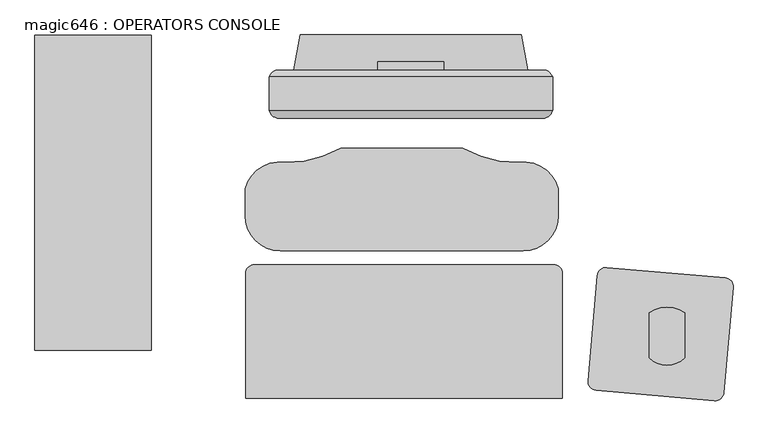
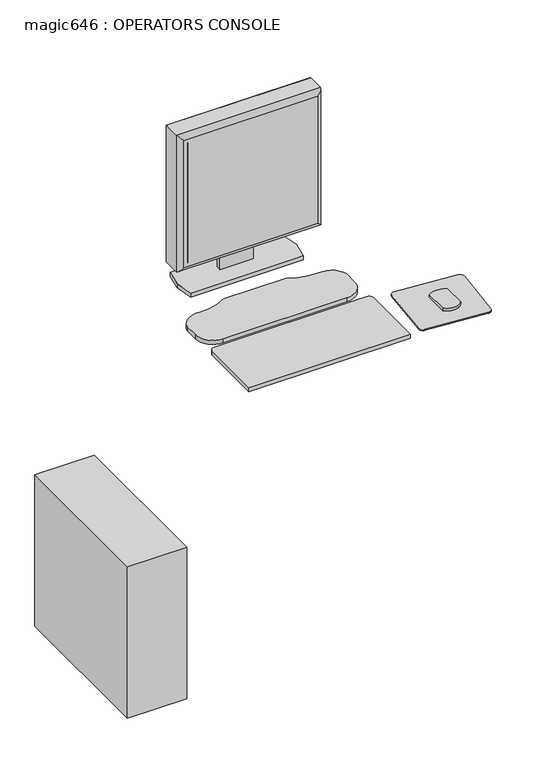
"""IFC4 building model written with IfcOpenShell, lengths in millimetres: proxy geometry, magic646 : OPERATORS CONSOLE."""

from ifc_helpers import new_model, si_unit, point, frame, frame_2d, origin, origin_with_axes, place, context, project, spatial, polyline, circle_curve, ellipse_curve, trimmed, segment, composite_curve, outline, extrude, source, transform, mapped, element, save
from ifc_brep_helpers import plane_surface, cylinder_surface, advanced_brep


def magic646_operators_console_e67e9cc8(model_context):
    return source(origin(), model_context, "Body", "SolidModel", [
        advanced_brep(
        [(-204.47, -136.491636, 1419.86), (-204.47, -179.6223166, 1419.86), (-204.47, -184.6193594, 1419.86), (204.47, -184.6193594, 1419.86), (204.47, -179.6223166, 1419.86), (204.47, -136.491636, 1419.86), (204.47, -136.491636, 1010.2963264), (204.47, -179.6223166, 1010.2963264), (204.47, -184.6193594, 1010.2963264), (-204.47, -184.6193594, 1010.2963264), (-204.47, -179.6223166, 1010.2963264), (-204.47, -136.491636, 1010.2963264), (-195.232364, -127.254, 1019.5339624), (-195.232364, -127.254, 1410.622364), (195.232364, -127.254, 1410.622364), (195.232364, -127.254, 1019.5339624), (-190.3058394, -196.5036769, 1405.694569), (-190.3058394, -196.5036769, 1024.4617574), (190.304569, -196.5036769, 1024.460487), (190.3058394, -196.5036769, 1405.694569)],
        [
            (0, 1),
            (1, 2),
            (2, 3),
            (3, 4),
            (4, 5),
            (5, 0),
            (6, 7),
            (7, 8),
            (8, 9),
            (9, 10),
            (10, 11),
            (11, 6),
            (12, 13),
            (13, 14),
            (14, 15),
            (15, 12),
            (0, 11),
            (9, 2),
            (16, 17),
            (17, 18),
            (18, 19),
            (19, 16),
            (3, 8),
            (6, 5),
            (12, 11, ellipse_curve(frame((-188.3553117, -143.3686883, 1026.4110147), z_axis=(-0.7071067811865452, 0.0, 0.7071067811865498), x_axis=(-0.7071067811865498, 0.0, -0.7071067811865452)), 24.7780962, 17.5207599)),
            (0, 13, ellipse_curve(frame((-188.3553117, -143.3686883, 1403.7453117), z_axis=(-0.7071067811865498, 0.0, -0.7071067811865452), x_axis=(0.7071067811865452, 0.0, -0.7071067811865498)), 24.7780962, 17.5207599)),
            (16, 2, ellipse_curve(frame((-190.3058394, -182.120838, 1405.6958394), z_axis=(-0.7071067811865498, 0.0, -0.7071067811865452), x_axis=(0.7071067811865452, 0.0, -0.7071067811865498)), 20.3404059, 14.3828389)),
            (9, 17, ellipse_curve(frame((-190.3058394, -182.120838, 1024.460487), z_axis=(-0.7071067811865452, 0.0, 0.7071067811865498), x_axis=(-0.7071067811865498, 0.0, -0.7071067811865452)), 20.3404059, 14.3828389)),
            (15, 6, ellipse_curve(frame((188.3553117, -143.3686883, 1026.4110147), z_axis=(-0.7071067811865498, 0.0, -0.7071067811865452), x_axis=(0.7071067811865452, 0.0, -0.7071067811865497)), 24.7780962, 17.5207599)),
            (8, 18, ellipse_curve(frame((190.3058394, -182.120838, 1024.460487), z_axis=(-0.7071067811865498, 0.0, -0.7071067811865452), x_axis=(0.7071067811865452, 0.0, -0.7071067811865497)), 20.3404059, 14.3828389)),
            (14, 5, ellipse_curve(frame((188.3553117, -143.3686883, 1403.7453117), z_axis=(0.7071067811865452, 0.0, -0.7071067811865498), x_axis=(0.7071067811865498, 0.0, 0.7071067811865452)), 24.7780962, 17.5207599)),
            (3, 19, ellipse_curve(frame((190.3058394, -182.120838, 1405.6958394), z_axis=(0.7071067811865452, 0.0, -0.7071067811865498), x_axis=(0.7071067811865498, 0.0, 0.7071067811865452)), 20.3404059, 14.3828389)),
        ],
        [
            plane_surface(frame((-199.39, -127.254, 1419.86), z_axis=(0.0, 0.0, 1.0), x_axis=(-1.0, 0.0, 0.0))),
            plane_surface(frame((-199.39, -127.254, 1010.2963264), z_axis=(0.0, 0.0, -1.0), x_axis=(1.0, 0.0, 0.0))),
            plane_surface(frame((204.47, -127.254, 1419.86), z_axis=(0.0, 1.0, 0.0), x_axis=(0.0, 0.0, -1.0))),
            plane_surface(frame((-204.47, -127.254, 1419.86), z_axis=(-1.0, 0.0, 0.0), x_axis=(0.0, 0.0, -1.0))),
            plane_surface(frame((-204.47, -196.5036769, 1419.86), z_axis=(0.0, -1.0, 0.0), x_axis=(0.0, 0.0, -1.0))),
            plane_surface(frame((204.47, -196.5036769, 1419.86), z_axis=(1.0, 0.0, 0.0), x_axis=(0.0, 0.0, -1.0))),
            cylinder_surface(frame((-188.3553117, -143.3686883, 1419.86), z_axis=(0.0, 0.0, -1.0), x_axis=(0.0, 1.0, 0.0)), 17.5207599),
            cylinder_surface(frame((-190.3058394, -182.120838, 1419.86), z_axis=(0.0, 0.0, -1.0), x_axis=(0.0, 1.0, 0.0)), 14.3828389),
            cylinder_surface(frame((-204.47, -143.3686883, 1026.4110147), z_axis=(1.0, 0.0, 0.0), x_axis=(0.0, 1.0, 0.0)), 17.5207599),
            cylinder_surface(frame((-204.47, -182.120838, 1024.460487), z_axis=(1.0, 0.0, 0.0), x_axis=(0.0, 1.0, 0.0)), 14.3828389),
            cylinder_surface(frame((188.3553117, -143.3686883, 1010.2963264), z_axis=(0.0, 0.0, 1.0), x_axis=(0.0, 1.0, 0.0)), 17.5207599),
            cylinder_surface(frame((190.3058394, -182.120838, 1010.2963264), z_axis=(0.0, 0.0, 1.0), x_axis=(0.0, 1.0, 0.0)), 14.3828389),
            cylinder_surface(frame((204.47, -143.3686883, 1403.7453117), z_axis=(-1.0, 0.0, 0.0), x_axis=(0.0, 1.0, 0.0)), 17.5207599),
            cylinder_surface(frame((204.47, -182.120838, 1405.6958394), z_axis=(-1.0, 0.0, 0.0), x_axis=(0.0, 1.0, 0.0)), 14.3828389),
        ],
        [
            (0, [[1, 2, 3, 4, 5, 6]]),
            (1, [[7, 8, 9, 10, 11, 12]]),
            (2, [[13, 14, 15, 16]]),
            (3, [[-1, 17, -11, -10, 18, -2]]),
            (4, [[19, 20, 21, 22]]),
            (5, [[-5, -4, 23, -8, -7, 24]]),
            (6, [[25, -17, 26, -13]]),
            (7, [[27, -18, 28, -19]]),
            (8, [[-25, -16, 29, -12]]),
            (9, [[30, -20, -28, -9]]),
            (10, [[-29, -15, 31, -24]]),
            (11, [[32, -21, -30, -23]]),
            (12, [[-26, -6, -31, -14]]),
            (13, [[-27, -22, -32, -3]]),
        ],
    ),
        extrude(outline(polyline([(-179.07, -190.5898978), (179.07, -190.5898978), (179.07, -196.5036769), (-179.07, -196.5036769), (-179.07, -190.5898978)])), frame((0.0, 0.0, 1035.6963264), z_axis=(0.0, 0.0, 1.0), x_axis=(1.0, 0.0, 0.0)), (0.0, 0.0, 1.0), 358.7636736),
        extrude(outline(polyline([(-127.254, 1236.2794056), (-114.5728288, 1236.2794056), (-114.5728288, 926.6153731), (-127.254, 926.6153731), (-127.254, 1006.8339624), (-124.5167676, 1006.8339624), (-124.5167676, 1019.5339624), (-127.254, 1019.5339624), (-127.254, 1236.2794056)])), frame((-47.625, 0.0, 0.0), z_axis=(1.0, 0.0, 0.0), x_axis=(0.0, 1.0, 0.0)), (0.0, 0.0, 1.0), 95.25),
        extrude(outline(polyline([(-542.6029933, -530.86), (-542.6029933, -76.2), (-374.9629933, -76.2), (-374.9629933, -530.86), (-542.6029933, -530.86)])), origin_with_axes(), (0.0, 0.0, 1.0), 454.66),
        extrude(outline(composite_curve([segment(trimmed(circle_curve(frame_2d((-188.3957152, -336.9073388)), 50.8), [point((-188.3957152, -387.7073388))], [point((-239.1957152, -336.9073388))], False, "CARTESIAN"), True, "CONTINUOUS"), segment(polyline([(-239.1957152, -336.9073388), (-239.1957152, -298.0826862)]), True, "CONTINUOUS"), segment(trimmed(circle_curve(frame_2d((-189.1990049, -311.5124251)), 51.7689959), [point((-239.1957152, -298.0826862))], [point((-182.1640967, -260.2236446))], False, "CARTESIAN"), True, "CONTINUOUS"), segment(trimmed(circle_curve(frame_2d((-178.1921881, -105.2358731)), 155.0386577), [point((-182.1640967, -260.2236446))], [point((-101.2816124, -239.8529178))], True, "CARTESIAN"), True, "CONTINUOUS"), segment(trimmed(circle_curve(frame_2d((-13.1357152, -1092.2236316)), 856.9162929), [point((-101.2816124, -239.8529178))], [point((75.0101819, -239.8529178))], False, "CARTESIAN"), True, "CONTINUOUS"), segment(trimmed(circle_curve(frame_2d((151.9207577, -105.2358731)), 155.0386577), [point((75.0101819, -239.8529178))], [point((155.8926662, -260.2236446))], True, "CARTESIAN"), True, "CONTINUOUS"), segment(trimmed(circle_curve(frame_2d((162.9275744, -311.5124251)), 51.7689959), [point((155.8926662, -260.2236446))], [point((212.9242848, -298.0826862))], False, "CARTESIAN"), True, "CONTINUOUS"), segment(polyline([(212.9242848, -298.0826862), (212.9242848, -336.9073388)]), True, "CONTINUOUS"), segment(trimmed(circle_curve(frame_2d((162.1242848, -336.9073388)), 50.8), [point((212.9242848, -336.9073388))], [point((162.1242848, -387.7073388))], False, "CARTESIAN"), True, "CONTINUOUS"), segment(polyline([(162.1242848, -387.7073388), (-188.3957152, -387.7073388)]), True, "CONTINUOUS")], self_intersect=False)), frame((0.0, 0.0, 914.4), z_axis=(0.0, 0.0, 1.0), x_axis=(1.0, 0.0, 0.0)), (0.0, 0.0, 1.0), 12.2153731),
        extrude(outline(composite_curve([segment(trimmed(circle_curve(frame_2d((281.6515965, -424.5127358)), 12.7), [point((268.9999238, -423.4058579))], [point((282.7584744, -411.8610632))], False, "CARTESIAN"), True, "CONTINUOUS"), segment(polyline([(282.7584744, -411.8610632), (453.5560554, -426.8039153)]), True, "CONTINUOUS"), segment(trimmed(circle_curve(frame_2d((452.4491775, -439.4555879)), 12.7), [point((453.5560554, -426.8039153))], [point((465.1008502, -440.5624658))], False, "CARTESIAN"), True, "CONTINUOUS"), segment(polyline([(465.1008502, -440.5624658), (451.818315, -592.3825378)]), True, "CONTINUOUS"), segment(trimmed(circle_curve(frame_2d((439.1666423, -591.2756599)), 12.7), [point((451.818315, -592.3825378))], [point((438.0597644, -603.9273326))], False, "CARTESIAN"), True, "CONTINUOUS"), segment(polyline([(438.0597644, -603.9273326), (267.2621834, -588.9844805)]), True, "CONTINUOUS"), segment(trimmed(circle_curve(frame_2d((268.3690613, -576.3328078)), 12.7), [point((267.2621834, -588.9844805))], [point((255.7173886, -575.2259299))], False, "CARTESIAN"), True, "CONTINUOUS"), segment(polyline([(255.7173886, -575.2259299), (268.9999238, -423.4058579)]), True, "CONTINUOUS")], self_intersect=False)), frame((0.0, 0.0, 914.4), z_axis=(0.0, 0.0, 1.0), x_axis=(1.0, 0.0, 0.0)), (0.0, 0.0, 1.0), 2.9133962),
        extrude(outline(composite_curve([segment(trimmed(circle_curve(frame_2d((369.5942809, -517.3693638)), 35.5491443), [point((394.9942809, -542.2406657))], [point((344.1942809, -542.2406657))], False, "CARTESIAN"), True, "CONTINUOUS"), segment(polyline([(344.1942809, -542.2406657), (344.1942809, -476.945319)]), True, "CONTINUOUS"), segment(trimmed(circle_curve(frame_2d((369.5942809, -515.1227321)), 45.8549329), [point((344.1942809, -476.945319))], [point((394.9942809, -476.945319))], False, "CARTESIAN"), True, "CONTINUOUS"), segment(polyline([(394.9942809, -476.945319), (394.9942809, -542.2406657)]), True, "CONTINUOUS")], self_intersect=False)), frame((0.0, 0.0, 917.3133962), z_axis=(0.0, 0.0, 1.0), x_axis=(1.0, 0.0, 0.0)), (0.0, 0.0, 1.0), 9.3019768),
        extrude(outline(polyline([(-168.656, -127.254), (-159.512, -76.2), (159.512, -76.2), (168.656, -127.254), (159.512, -178.308), (-159.512, -178.308), (-168.656, -127.254)])), frame((0.0, 0.0, 914.4), z_axis=(0.0, 0.0, 1.0), x_axis=(1.0, 0.0, 0.0)), (0.0, 0.0, 1.0), 12.2153731),
        extrude(outline(composite_curve([segment(trimmed(circle_curve(frame_2d((-225.7227996, -420.272695)), 12.7), [point((-238.4227996, -420.272695))], [point((-225.7227996, -407.572695))], False, "CARTESIAN"), True, "CONTINUOUS"), segment(polyline([(-225.7227996, -407.572695), (206.0772004, -407.572695)]), True, "CONTINUOUS"), segment(trimmed(circle_curve(frame_2d((206.0772004, -420.272695)), 12.7), [point((206.0772004, -407.572695))], [point((218.7772004, -420.272695))], False, "CARTESIAN"), True, "CONTINUOUS"), segment(polyline([(218.7772004, -420.272695), (218.7772004, -600.3435701)]), True, "CONTINUOUS"), segment(trimmed(circle_curve(frame_2d((-9.8227996, 1699.9107469)), 2311.5855777), [point((218.7772004, -600.3435701))], [point((-238.4227996, -600.3435701))], False, "CARTESIAN"), True, "CONTINUOUS"), segment(polyline([(-238.4227996, -600.3435701), (-238.4227996, -420.272695)]), True, "CONTINUOUS")], self_intersect=False)), frame((0.0, 0.0, 914.4), z_axis=(0.0, 0.0, 1.0), x_axis=(1.0, 0.0, 0.0)), (0.0, 0.0, 1.0), 12.2153731),
    ])


if __name__ == "__main__":
    model = new_model("IFC4")
    model_context = context("Model", 3, world=origin())
    ifc_project = project(units=[si_unit("LENGTHUNIT", "METRE", prefix="MILLI")], contexts=[model_context])
    site = spatial("IfcSite", under=ifc_project)
    building = spatial("IfcBuilding", under=site)
    placement = place(None, origin())
    magic646_operators_console_shape = magic646_operators_console_e67e9cc8(model_context)
    element("IfcBuildingElementProxy", 1, Name="magic646 : OPERATORS CONSOLE", ObjectType="magic646 : OPERATORS CONSOLE", at=placement, inside=building, context=model_context, shape_type="MappedRepresentation", body=[
        mapped(magic646_operators_console_shape, transform((0.0, 0.0, 0.0), x_axis=(1.0, 0.0, 0.0), y_axis=(0.0, 1.0, 0.0), z_axis=(0.0, 0.0, 1.0))),
    ])
    save(model, "model.ifc")
